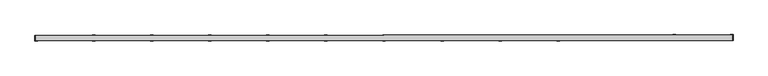
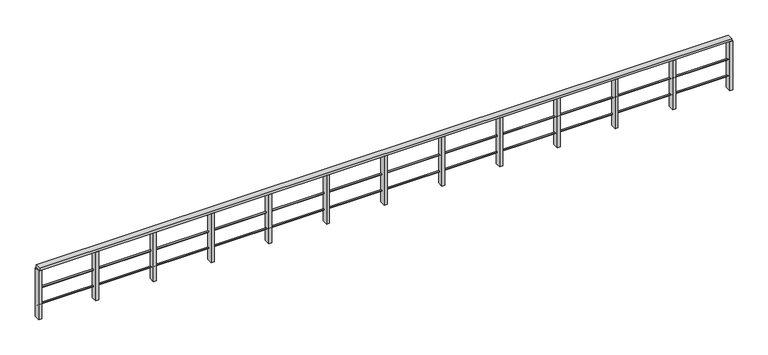
"""IFC4 building model written with IfcOpenShell, lengths in millimetres: railing geometry."""

from ifc_helpers import new_model, si_unit, frame, origin, place, context, project, spatial, polyline, ellipse_curve, outline, extrude, faceted_brep, source, transform, mapped, element, save
from ifc_brep_helpers import plane_surface, cylinder_surface, advanced_brep


def railing_c8d08b66(model_context):
    return source(origin(), model_context, "Body", "SolidModel", [
        faceted_brep([(39674.7555894, 90447.8596191, -3619.7347114), (39674.6459951, 90567.859569, -3619.7347114), (39674.6459951, 90567.859569, -3669.7347114), (39674.7555894, 90447.8596191, -3669.7347114), (53731.96826, 90460.6978804, -3620.0063688), (53731.96826, 90460.6978804, -3670.0063688), (53731.8586657, 90580.6978304, -3670.0063688), (53731.8586657, 90580.6978304, -3620.0063688)], [[[0, 1, 2, 3]], [[4, 5, 6, 7]], [[1, 0, 4, 7]], [[2, 1, 7, 6]], [[3, 2, 6, 5]], [[0, 3, 5, 4]]]),
        advanced_brep(
        [(39674.655128, 90557.8595732, -4104.7347114), (39674.6825266, 90527.8595857, -4104.7347114), (53731.8677986, 90570.6978345, -4105.0063688), (53731.8951972, 90540.697847, -4105.0063688)],
        [
            (0, 1, ellipse_curve(frame((39674.6688273, 90542.8595794, -4104.7347114), z_axis=(-0.9999995829542231, -0.0009132860339844515, 0.0), x_axis=(0.0, 0.0, 1.0)), 15.0, 15.0)),
            (1, 0, ellipse_curve(frame((39674.6688273, 90542.8595794, -4104.7347114), z_axis=(-0.9999995829542231, -0.0009132860339844515, 0.0), x_axis=(0.0, 0.0, 1.0)), 15.0, 15.0)),
            (2, 3, ellipse_curve(frame((53731.8814979, 90555.6978408, -4105.0063688), z_axis=(0.9999995829542231, 0.0009132860339844515, 0.0), x_axis=(0.0, 0.0, 1.0)), 15.0, 15.0)),
            (3, 2, ellipse_curve(frame((53731.8814979, 90555.6978408, -4105.0063688), z_axis=(0.9999995829542231, 0.0009132860339844515, 0.0), x_axis=(0.0, 0.0, 1.0)), 15.0, 15.0)),
            (0, 2),
            (3, 1),
        ],
        [
            plane_surface(frame((39674.6688273, 90542.8595794, -4089.7347114), z_axis=(-0.9999995829542231, -0.0009132860339844515, 0.0), x_axis=(-0.0009132860339844515, 0.9999995829542231, 0.0))),
            plane_surface(frame((53731.8814979, 90555.6978408, -4090.0063688), z_axis=(0.9999995829542231, 0.0009132860339844515, 0.0), x_axis=(-0.0009132860339844515, 0.9999995829542231, 0.0))),
            cylinder_surface(frame((39674.6685374, 90542.8595792, -4104.7347114), z_axis=(-0.9999995827674931, -0.0009132860338139135, 1.932511623966695e-05), x_axis=(0.0009132860339844515, -0.9999995829542231, 0.0)), 15.0),
        ],
        [
            (0, [[1, 2]]),
            (1, [[3, 4]]),
            (2, [[-1, 5, -4, 6]]),
            (2, [[-2, -6, -3, -5]]),
        ],
    ),
        advanced_brep(
        [(39674.655128, 90557.8595732, -4454.7347114), (39674.6825266, 90527.8595857, -4454.7347114), (53731.8677986, 90570.6978345, -4455.0063688), (53731.8951972, 90540.697847, -4455.0063688)],
        [
            (0, 1, ellipse_curve(frame((39674.6688273, 90542.8595794, -4454.7347114), z_axis=(-0.9999995829542231, -0.0009132860339844515, 0.0), x_axis=(0.0, 0.0, 1.0)), 15.0, 15.0)),
            (1, 0, ellipse_curve(frame((39674.6688273, 90542.8595794, -4454.7347114), z_axis=(-0.9999995829542231, -0.0009132860339844515, 0.0), x_axis=(0.0, 0.0, 1.0)), 15.0, 15.0)),
            (2, 3, ellipse_curve(frame((53731.8814979, 90555.6978408, -4455.0063688), z_axis=(0.9999995829542231, 0.0009132860339844515, 0.0), x_axis=(0.0, 0.0, 1.0)), 15.0, 15.0)),
            (3, 2, ellipse_curve(frame((53731.8814979, 90555.6978408, -4455.0063688), z_axis=(0.9999995829542231, 0.0009132860339844515, 0.0), x_axis=(0.0, 0.0, 1.0)), 15.0, 15.0)),
            (0, 2),
            (3, 1),
        ],
        [
            plane_surface(frame((39674.6688273, 90542.8595794, -4439.7347114), z_axis=(-0.9999995829542231, -0.0009132860339844515, 0.0), x_axis=(-0.0009132860339844515, 0.9999995829542231, 0.0))),
            plane_surface(frame((53731.8814979, 90555.6978408, -4440.0063688), z_axis=(0.9999995829542231, 0.0009132860339844515, 0.0), x_axis=(-0.0009132860339844515, 0.9999995829542231, 0.0))),
            cylinder_surface(frame((39674.6685374, 90542.8595792, -4454.7347114), z_axis=(-0.9999995827674931, -0.0009132860338139135, 1.932511623966695e-05), x_axis=(0.0009132860339844515, -0.9999995829542231, 0.0)), 15.0),
        ],
        [
            (0, [[1, 2]]),
            (1, [[3, 4]]),
            (2, [[-1, 5, -4, 6]]),
            (2, [[-2, -6, -3, -5]]),
        ],
    ),
        extrude(outline(polyline([(60.0, 0.0), (59.9797087, -1049.9999998), (-0.0202914, -1049.9999998), (0.0, 0.0), (60.0, 0.0)])), frame((52590.5338583, 90459.6554239, -3669.9843104), z_axis=(-0.0009132860339844515, 0.9999995829542231, 0.0), x_axis=(-0.9999995827674931, -0.0009132860338139135, 1.932511623703191e-05)), (0.0, 0.0, 1.0), 120.0),
        extrude(outline(polyline([(60.0, 0.0), (59.9797087, -1049.9999998), (-0.0202914, -1049.9999998), (0.0, 0.0), (60.0, 0.0)])), frame((51419.0994691, 90458.5855688, -3669.9616723), z_axis=(-0.0009132860339844515, 0.9999995829542231, 0.0), x_axis=(-0.9999995827674931, -0.0009132860338139135, 1.932511623703191e-05)), (0.0, 0.0, 1.0), 120.0),
        extrude(outline(polyline([(60.0, 0.0), (59.9797087, -1049.9999998), (-0.0202914, -1049.9999998), (0.0, 0.0), (60.0, 0.0)])), frame((50247.6650799, 90457.5157137, -3669.9390342), z_axis=(-0.0009132860339844515, 0.9999995829542231, 0.0), x_axis=(-0.9999995827674931, -0.0009132860338139135, 1.932511623703191e-05)), (0.0, 0.0, 1.0), 120.0),
        extrude(outline(polyline([(60.0, 0.0), (59.9797087, -1049.9999998), (-0.0202914, -1049.9999998), (0.0, 0.0), (60.0, 0.0)])), frame((49076.2306907, 90456.4458585, -3669.9163961), z_axis=(-0.0009132860339844515, 0.9999995829542231, 0.0), x_axis=(-0.9999995827674931, -0.0009132860338139135, 1.932511623703191e-05)), (0.0, 0.0, 1.0), 120.0),
        extrude(outline(polyline([(59.9999999, 0.0), (59.9797086, -1049.9999998), (-0.0202914, -1049.9999998), (0.0, 0.0), (59.9999999, 0.0)])), frame((47904.7963014, 90455.3760034, -3669.893758), z_axis=(-0.0009132860339844515, 0.9999995829542231, 0.0), x_axis=(-0.9999995827674931, -0.0009132860338139135, 1.932511623703191e-05)), (0.0, 0.0, 1.0), 120.0),
        extrude(outline(polyline([(59.9999999, 0.0), (59.9797086, -1049.9999998), (-0.0202914, -1049.9999998), (0.0, 0.0), (59.9999999, 0.0)])), frame((46733.3619122, 90454.3061483, -3669.8711198), z_axis=(-0.0009132860339844515, 0.9999995829542231, 0.0), x_axis=(-0.9999995827674931, -0.0009132860338139135, 1.932511623703191e-05)), (0.0, 0.0, 1.0), 120.0),
        extrude(outline(polyline([(60.0, 0.0), (59.9797087, -1049.9999998), (-0.0202914, -1049.9999998), (0.0, 0.0), (60.0, 0.0)])), frame((45561.927523, 90453.2362932, -3669.8484817), z_axis=(-0.0009132860339844515, 0.9999995829542231, 0.0), x_axis=(-0.9999995827674931, -0.0009132860338139135, 1.932511623703191e-05)), (0.0, 0.0, 1.0), 120.0),
        extrude(outline(polyline([(60.0, 0.0), (59.9797087, -1049.9999998), (-0.0202914, -1049.9999998), (0.0, 0.0), (60.0, 0.0)])), frame((44390.4931338, 90452.1664381, -3669.8258436), z_axis=(-0.0009132860339844515, 0.9999995829542231, 0.0), x_axis=(-0.9999995827674931, -0.0009132860338139135, 1.932511623703191e-05)), (0.0, 0.0, 1.0), 120.0),
        extrude(outline(polyline([(60.0, 0.0), (59.9797087, -1049.9999998), (-0.0202914, -1049.9999998), (0.0, 0.0), (60.0, 0.0)])), frame((43219.0587446, 90451.096583, -3669.8032055), z_axis=(-0.0009132860339844515, 0.9999995829542231, 0.0), x_axis=(-0.9999995827674931, -0.0009132860338139135, 1.932511623703191e-05)), (0.0, 0.0, 1.0), 120.0),
        extrude(outline(polyline([(60.0, 0.0), (59.9797087, -1049.9999998), (-0.0202914, -1049.9999998), (0.0, 0.0), (60.0, 0.0)])), frame((42047.6243554, 90450.0267279, -3669.7805674), z_axis=(-0.0009132860339844515, 0.9999995829542231, 0.0), x_axis=(-0.9999995827674931, -0.0009132860338139135, 1.932511623703191e-05)), (0.0, 0.0, 1.0), 120.0),
        extrude(outline(polyline([(60.0, 0.0), (59.9797087, -1049.9999998), (-0.0202914, -1049.9999998), (0.0, 0.0), (60.0, 0.0)])), frame((40876.1899662, 90448.9568727, -3669.7579293), z_axis=(-0.0009132860339844515, 0.9999995829542231, 0.0), x_axis=(-0.9999995827674931, -0.0009132860338139135, 1.932511623703191e-05)), (0.0, 0.0, 1.0), 120.0),
        extrude(outline(polyline([(60.0, 0.0), (59.9797087, -1049.9999998), (-0.0202914, -1049.9999998), (0.0, 0.0), (60.0, 0.0)])), frame((53749.2682528, 90460.7136803, -3670.0067031), z_axis=(-0.0009132860339844515, 0.9999995829542231, 0.0), x_axis=(-0.9999995827674931, -0.0009132860338139135, 1.932511623703191e-05)), (0.0, 0.0, 1.0), 120.0),
        extrude(outline(polyline([(59.9999999, 0.0), (59.9797086, -1049.9999998), (-0.0202914, -1049.9999998), (0.0, 0.0), (59.9999999, 0.0)])), frame((39717.4555716, 90447.8986164, -3669.7355366), z_axis=(-0.0009132860339844515, 0.9999995829542231, 0.0), x_axis=(-0.9999995827674931, -0.0009132860338139135, 1.932511623703191e-05)), (0.0, 0.0, 1.0), 120.0),
    ])


if __name__ == "__main__":
    model = new_model("IFC4")
    model_context = context("Model", 3, world=origin())
    ifc_project = project(units=[si_unit("LENGTHUNIT", "METRE", prefix="MILLI")], contexts=[model_context])
    site = spatial("IfcSite", under=ifc_project)
    building = spatial("IfcBuilding", under=site)
    placement = place(None, origin())
    railing_shape = railing_c8d08b66(model_context)
    element("IfcRailing", 1, at=placement, inside=building, context=model_context, shape_type="MappedRepresentation", body=[
        mapped(railing_shape, transform((0.0, 0.0, 0.0), x_axis=(1.0, 0.0, 0.0), y_axis=(0.0, 1.0, 0.0), z_axis=(0.0, 0.0, 1.0))),
    ])
    save(model, "model.ifc")
